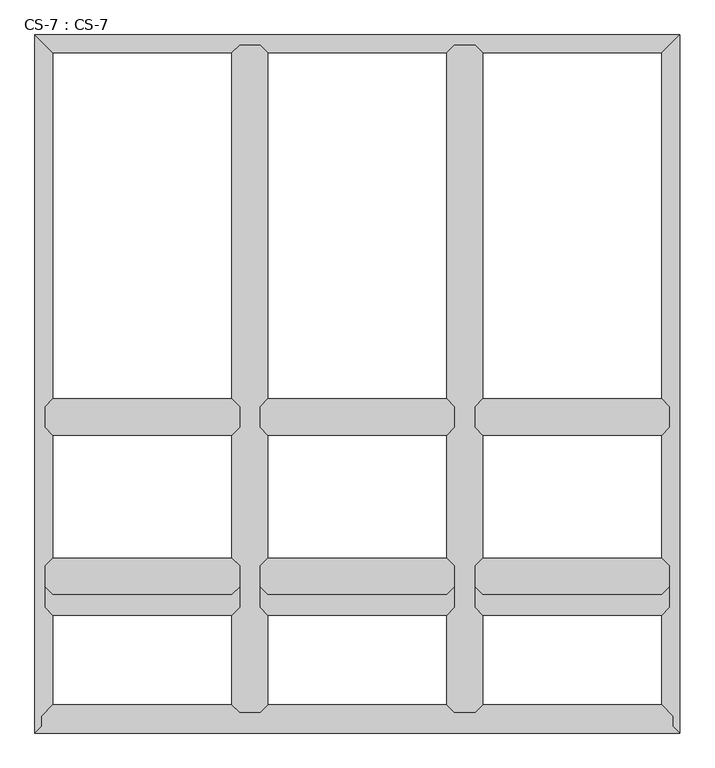
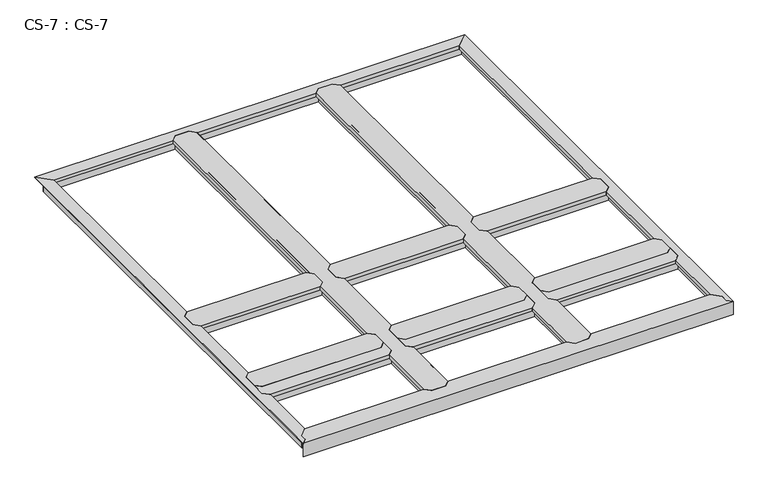
"""IFC4 building model written with IfcOpenShell, lengths in millimetres: proxy geometry, CS-7 : CS-7."""

from ifc_helpers import new_model, si_unit, origin, place, context, project, spatial, faceted_brep, source, transform, mapped, element, save


def cs_7_cs_7_f8a4ccb9(model_context):
    return source(origin(), model_context, "Body", "Brep", [
        faceted_brep([(2024.3803048, 975.3600584, 46.355), (2024.3803048, 975.3600584, 0.0), (2024.3803048, 982.3450584, 0.0), (2024.3803048, 982.3450584, 63.5), (2024.3803048, 1034.4150584, 63.5), (2024.3803048, 1034.4150584, 0.0), (2024.3803048, 1041.4000584, 0.0), (2024.3803048, 1041.4000584, 46.355), (2024.3803048, 1041.4000584, 66.675), (2024.3803048, 975.3600584, 66.675), (1404.6202032, 1041.4000584, 46.355), (1404.6202032, 1041.4000584, 0.0), (1404.6202032, 1034.4150584, 0.0), (1404.6202032, 1034.4150584, 63.5), (1404.6202032, 982.3450584, 63.5), (1404.6202032, 982.3450584, 0.0), (1404.6202032, 975.3600584, 0.0), (1404.6202032, 975.3600584, 46.355), (1404.6202032, 975.3600584, 66.675), (1404.6202032, 1041.4000584, 66.675), (1429.2582032, 1066.0380584, 66.675), (1999.7423048, 1066.0380584, 66.675), (1999.7423048, 1066.0380584, 49.8094), (1429.2582032, 1066.0380584, 49.8094), (2001.2663048, 1064.5140584, 49.8094), (1427.7342032, 1064.5140584, 49.8094), (2001.2663048, 1064.5140584, 64.643), (1427.7342032, 1064.5140584, 64.643), (2011.5533048, 1054.2270584, 64.643), (1417.4472032, 1054.2270584, 64.643), (2011.5533048, 1054.2270584, 46.355), (1417.4472032, 1054.2270584, 46.355), (2011.5533048, 962.5330584, 46.355), (1417.4472032, 962.5330584, 46.355), (2011.5533048, 962.5330584, 64.643), (1417.4472032, 962.5330584, 64.643), (2001.2663048, 952.2460584, 64.643), (1427.7342032, 952.2460584, 64.643), (2001.2663048, 952.2460584, 49.8094), (1427.7342032, 952.2460584, 49.8094), (1999.7423048, 950.7220584, 49.8094), (1429.2582032, 950.7220584, 49.8094), (1999.7423048, 950.7220584, 66.675), (1429.2582032, 950.7220584, 66.675)], [[[0, 1, 2, 3, 4, 5, 6, 7, 8, 9]], [[10, 11, 12, 13, 14, 15, 16, 17, 18, 19]], [[20, 21, 22, 23]], [[23, 22, 24, 25]], [[25, 24, 26, 27]], [[27, 26, 28, 29]], [[29, 28, 30, 31]], [[7, 10, 31, 30]], [[7, 6, 11, 10]], [[6, 5, 12, 11]], [[5, 4, 13, 12]], [[4, 3, 14, 13]], [[3, 2, 15, 14]], [[2, 1, 16, 15]], [[1, 0, 17, 16]], [[17, 0, 32, 33]], [[33, 32, 34, 35]], [[35, 34, 36, 37]], [[37, 36, 38, 39]], [[39, 38, 40, 41]], [[41, 40, 42, 43]], [[9, 8, 21, 20, 19, 18, 43, 42]], [[10, 19, 20, 23, 25, 27, 29, 31]], [[18, 17, 33, 35, 37, 39, 41, 43]], [[0, 9, 42, 40, 38, 36, 34, 32]], [[8, 7, 30, 28, 26, 24, 22, 21]]]),
        faceted_brep([(1338.5802032, 975.3600584, 46.355), (1338.5802032, 975.3600584, 0.0), (1338.5802032, 982.3450584, 0.0), (1338.5802032, 982.3450584, 63.5), (1338.5802032, 1034.4150584, 63.5), (1338.5802032, 1034.4150584, 0.0), (1338.5802032, 1041.4000584, 0.0), (1338.5802032, 1041.4000584, 46.355), (1338.5802032, 1041.4000584, 66.675), (1338.5802032, 975.3600584, 66.675), (718.8201016, 1041.4000584, 46.355), (718.8201016, 1041.4000584, 0.0), (718.8201016, 1034.4150584, 0.0), (718.8201016, 1034.4150584, 63.5), (718.8201016, 982.3450584, 63.5), (718.8201016, 982.3450584, 0.0), (718.8201016, 975.3600584, 0.0), (718.8201016, 975.3600584, 46.355), (718.8201016, 975.3600584, 66.675), (718.8201016, 1041.4000584, 66.675), (743.4581016, 1066.0380584, 66.675), (1313.9422032, 1066.0380584, 66.675), (1313.9422032, 1066.0380584, 49.8094), (743.4581016, 1066.0380584, 49.8094), (1315.4662032, 1064.5140584, 49.8094), (741.9341016, 1064.5140584, 49.8094), (1315.4662032, 1064.5140584, 64.643), (741.9341016, 1064.5140584, 64.643), (1325.7532032, 1054.2270584, 64.643), (731.6471016, 1054.2270584, 64.643), (1325.7532032, 1054.2270584, 46.355), (731.6471016, 1054.2270584, 46.355), (1325.7532032, 962.5330584, 46.355), (731.6471016, 962.5330584, 46.355), (1325.7532032, 962.5330584, 64.643), (731.6471016, 962.5330584, 64.643), (1315.4662032, 952.2460584, 64.643), (741.9341016, 952.2460584, 64.643), (1315.4662032, 952.2460584, 49.8094), (741.9341016, 952.2460584, 49.8094), (1313.9422032, 950.7220584, 49.8094), (743.4581016, 950.7220584, 49.8094), (1313.9422032, 950.7220584, 66.675), (743.4581016, 950.7220584, 66.675)], [[[0, 1, 2, 3, 4, 5, 6, 7, 8, 9]], [[10, 11, 12, 13, 14, 15, 16, 17, 18, 19]], [[20, 21, 22, 23]], [[23, 22, 24, 25]], [[25, 24, 26, 27]], [[27, 26, 28, 29]], [[29, 28, 30, 31]], [[7, 10, 31, 30]], [[7, 6, 11, 10]], [[6, 5, 12, 11]], [[5, 4, 13, 12]], [[4, 3, 14, 13]], [[3, 2, 15, 14]], [[2, 1, 16, 15]], [[1, 0, 17, 16]], [[17, 0, 32, 33]], [[33, 32, 34, 35]], [[35, 34, 36, 37]], [[37, 36, 38, 39]], [[39, 38, 40, 41]], [[41, 40, 42, 43]], [[9, 8, 21, 20, 19, 18, 43, 42]], [[10, 19, 20, 23, 25, 27, 29, 31]], [[18, 17, 33, 35, 37, 39, 41, 43]], [[0, 9, 42, 40, 38, 36, 34, 32]], [[8, 7, 30, 28, 26, 24, 22, 21]]]),
        faceted_brep([(652.7801016, 975.3600584, 46.355), (652.7801016, 975.3600584, 0.0), (652.7801016, 982.3450584, 0.0), (652.7801016, 982.3450584, 63.5), (652.7801016, 1034.4150584, 63.5), (652.7801016, 1034.4150584, 0.0), (652.7801016, 1041.4000584, 0.0), (652.7801016, 1041.4000584, 46.355), (652.7801016, 1041.4000584, 66.675), (652.7801016, 975.3600584, 66.675), (33.02, 1041.4000584, 46.355), (33.02, 1041.4000584, 0.0), (33.02, 1034.4150584, 0.0), (33.02, 1034.4150584, 63.5), (33.02, 982.3450584, 63.5), (33.02, 982.3450584, 0.0), (33.02, 975.3600584, 0.0), (33.02, 975.3600584, 46.355), (33.02, 975.3600584, 66.675), (33.02, 1041.4000584, 66.675), (57.658, 1066.0380584, 66.675), (628.1421016, 1066.0380584, 66.675), (628.1421016, 1066.0380584, 49.8094), (57.658, 1066.0380584, 49.8094), (629.6661016, 1064.5140584, 49.8094), (56.134, 1064.5140584, 49.8094), (629.6661016, 1064.5140584, 64.643), (56.134, 1064.5140584, 64.643), (639.9531016, 1054.2270584, 64.643), (45.847, 1054.2270584, 64.643), (639.9531016, 1054.2270584, 46.355), (45.847, 1054.2270584, 46.355), (639.9531016, 962.5330584, 46.355), (45.847, 962.5330584, 46.355), (639.9531016, 962.5330584, 64.643), (45.847, 962.5330584, 64.643), (629.6661016, 952.2460584, 64.643), (56.134, 952.2460584, 64.643), (629.6661016, 952.2460584, 49.8094), (56.134, 952.2460584, 49.8094), (628.1421016, 950.7220584, 49.8094), (57.658, 950.7220584, 49.8094), (628.1421016, 950.7220584, 66.675), (57.658, 950.7220584, 66.675)], [[[0, 1, 2, 3, 4, 5, 6, 7, 8, 9]], [[10, 11, 12, 13, 14, 15, 16, 17, 18, 19]], [[20, 21, 22, 23]], [[23, 22, 24, 25]], [[25, 24, 26, 27]], [[27, 26, 28, 29]], [[29, 28, 30, 31]], [[7, 10, 31, 30]], [[7, 6, 11, 10]], [[6, 5, 12, 11]], [[5, 4, 13, 12]], [[4, 3, 14, 13]], [[3, 2, 15, 14]], [[2, 1, 16, 15]], [[1, 0, 17, 16]], [[17, 0, 32, 33]], [[33, 32, 34, 35]], [[35, 34, 36, 37]], [[37, 36, 38, 39]], [[39, 38, 40, 41]], [[41, 40, 42, 43]], [[9, 8, 21, 20, 19, 18, 43, 42]], [[10, 19, 20, 23, 25, 27, 29, 31]], [[18, 17, 33, 35, 37, 39, 41, 43]], [[0, 9, 42, 40, 38, 36, 34, 32]], [[8, 7, 30, 28, 26, 24, 22, 21]]]),
        faceted_brep([(2024.3803048, 467.3600292, 46.355), (2024.3803048, 467.3600292, 0.0), (2024.3803048, 474.3450292, 0.0), (2024.3803048, 474.3450292, 63.5), (2024.3803048, 526.4150292, 63.5), (2024.3803048, 526.4150292, 0.0), (2024.3803048, 533.4000292, 0.0), (2024.3803048, 533.4000292, 46.355), (2024.3803048, 533.4000292, 66.675), (2024.3803048, 467.3600292, 66.675), (1404.6202032, 533.4000292, 46.355), (1404.6202032, 533.4000292, 0.0), (1404.6202032, 526.4150292, 0.0), (1404.6202032, 526.4150292, 63.5), (1404.6202032, 474.3450292, 63.5), (1404.6202032, 474.3450292, 0.0), (1404.6202032, 467.3600292, 0.0), (1404.6202032, 467.3600292, 46.355), (1404.6202032, 467.3600292, 66.675), (1404.6202032, 533.4000292, 66.675), (1429.2582032, 558.0380292, 66.675), (1999.7423048, 558.0380292, 66.675), (1999.7423048, 558.0380292, 49.8094), (1429.2582032, 558.0380292, 49.8094), (2001.2663048, 556.5140292, 49.8094), (1427.7342032, 556.5140292, 49.8094), (2001.2663048, 556.5140292, 64.643), (1427.7342032, 556.5140292, 64.643), (2011.5533048, 546.2270292, 64.643), (1417.4472032, 546.2270292, 64.643), (2011.5533048, 546.2270292, 46.355), (1417.4472032, 546.2270292, 46.355), (2011.5533048, 454.5330292, 46.355), (1417.4472032, 454.5330292, 46.355), (2011.5533048, 454.5330292, 64.643), (1417.4472032, 454.5330292, 64.643), (2001.2663048, 444.2460292, 64.643), (1427.7342032, 444.2460292, 64.643), (2001.2663048, 444.2460292, 49.8094), (1427.7342032, 444.2460292, 49.8094), (1999.7423048, 442.7220292, 49.8094), (1429.2582032, 442.7220292, 49.8094), (1999.7423048, 442.7220292, 66.675), (1429.2582032, 442.7220292, 66.675)], [[[0, 1, 2, 3, 4, 5, 6, 7, 8, 9]], [[10, 11, 12, 13, 14, 15, 16, 17, 18, 19]], [[20, 21, 22, 23]], [[23, 22, 24, 25]], [[25, 24, 26, 27]], [[27, 26, 28, 29]], [[29, 28, 30, 31]], [[7, 10, 31, 30]], [[7, 6, 11, 10]], [[6, 5, 12, 11]], [[5, 4, 13, 12]], [[4, 3, 14, 13]], [[3, 2, 15, 14]], [[2, 1, 16, 15]], [[1, 0, 17, 16]], [[17, 0, 32, 33]], [[33, 32, 34, 35]], [[35, 34, 36, 37]], [[37, 36, 38, 39]], [[39, 38, 40, 41]], [[41, 40, 42, 43]], [[9, 8, 21, 20, 19, 18, 43, 42]], [[10, 19, 20, 23, 25, 27, 29, 31]], [[18, 17, 33, 35, 37, 39, 41, 43]], [[0, 9, 42, 40, 38, 36, 34, 32]], [[8, 7, 30, 28, 26, 24, 22, 21]]]),
        faceted_brep([(1338.5802032, 467.3600292, 46.355), (1338.5802032, 467.3600292, 0.0), (1338.5802032, 474.3450292, 0.0), (1338.5802032, 474.3450292, 63.5), (1338.5802032, 526.4150292, 63.5), (1338.5802032, 526.4150292, 0.0), (1338.5802032, 533.4000292, 0.0), (1338.5802032, 533.4000292, 46.355), (1338.5802032, 533.4000292, 66.675), (1338.5802032, 467.3600292, 66.675), (718.8201016, 533.4000292, 46.355), (718.8201016, 533.4000292, 0.0), (718.8201016, 526.4150292, 0.0), (718.8201016, 526.4150292, 63.5), (718.8201016, 474.3450292, 63.5), (718.8201016, 474.3450292, 0.0), (718.8201016, 467.3600292, 0.0), (718.8201016, 467.3600292, 46.355), (718.8201016, 467.3600292, 66.675), (718.8201016, 533.4000292, 66.675), (743.4581016, 558.0380292, 66.675), (1313.9422032, 558.0380292, 66.675), (1313.9422032, 558.0380292, 49.8094), (743.4581016, 558.0380292, 49.8094), (1315.4662032, 556.5140292, 49.8094), (741.9341016, 556.5140292, 49.8094), (1315.4662032, 556.5140292, 64.643), (741.9341016, 556.5140292, 64.643), (1325.7532032, 546.2270292, 64.643), (731.6471016, 546.2270292, 64.643), (1325.7532032, 546.2270292, 46.355), (731.6471016, 546.2270292, 46.355), (1325.7532032, 454.5330292, 46.355), (731.6471016, 454.5330292, 46.355), (1325.7532032, 454.5330292, 64.643), (731.6471016, 454.5330292, 64.643), (1315.4662032, 444.2460292, 64.643), (741.9341016, 444.2460292, 64.643), (1315.4662032, 444.2460292, 49.8094), (741.9341016, 444.2460292, 49.8094), (1313.9422032, 442.7220292, 49.8094), (743.4581016, 442.7220292, 49.8094), (1313.9422032, 442.7220292, 66.675), (743.4581016, 442.7220292, 66.675)], [[[0, 1, 2, 3, 4, 5, 6, 7, 8, 9]], [[10, 11, 12, 13, 14, 15, 16, 17, 18, 19]], [[20, 21, 22, 23]], [[23, 22, 24, 25]], [[25, 24, 26, 27]], [[27, 26, 28, 29]], [[29, 28, 30, 31]], [[7, 10, 31, 30]], [[7, 6, 11, 10]], [[6, 5, 12, 11]], [[5, 4, 13, 12]], [[4, 3, 14, 13]], [[3, 2, 15, 14]], [[2, 1, 16, 15]], [[1, 0, 17, 16]], [[17, 0, 32, 33]], [[33, 32, 34, 35]], [[35, 34, 36, 37]], [[37, 36, 38, 39]], [[39, 38, 40, 41]], [[41, 40, 42, 43]], [[9, 8, 21, 20, 19, 18, 43, 42]], [[10, 19, 20, 23, 25, 27, 29, 31]], [[18, 17, 33, 35, 37, 39, 41, 43]], [[0, 9, 42, 40, 38, 36, 34, 32]], [[8, 7, 30, 28, 26, 24, 22, 21]]]),
        faceted_brep([(652.7801016, 467.3600292, 46.355), (652.7801016, 467.3600292, 0.0), (652.7801016, 474.3450292, 0.0), (652.7801016, 474.3450292, 63.5), (652.7801016, 526.4150292, 63.5), (652.7801016, 526.4150292, 0.0), (652.7801016, 533.4000292, 0.0), (652.7801016, 533.4000292, 46.355), (652.7801016, 533.4000292, 66.675), (652.7801016, 467.3600292, 66.675), (33.02, 533.4000292, 46.355), (33.02, 533.4000292, 0.0), (33.02, 526.4150292, 0.0), (33.02, 526.4150292, 63.5), (33.02, 474.3450292, 63.5), (33.02, 474.3450292, 0.0), (33.02, 467.3600292, 0.0), (33.02, 467.3600292, 46.355), (33.02, 467.3600292, 66.675), (33.02, 533.4000292, 66.675), (57.658, 558.0380292, 66.675), (628.1421016, 558.0380292, 66.675), (628.1421016, 558.0380292, 49.8094), (57.658, 558.0380292, 49.8094), (629.6661016, 556.5140292, 49.8094), (56.134, 556.5140292, 49.8094), (629.6661016, 556.5140292, 64.643), (56.134, 556.5140292, 64.643), (639.9531016, 546.2270292, 64.643), (45.847, 546.2270292, 64.643), (639.9531016, 546.2270292, 46.355), (45.847, 546.2270292, 46.355), (639.9531016, 454.5330292, 46.355), (45.847, 454.5330292, 46.355), (639.9531016, 454.5330292, 64.643), (45.847, 454.5330292, 64.643), (629.6661016, 444.2460292, 64.643), (56.134, 444.2460292, 64.643), (629.6661016, 444.2460292, 49.8094), (56.134, 444.2460292, 49.8094), (628.1421016, 442.7220292, 49.8094), (57.658, 442.7220292, 49.8094), (628.1421016, 442.7220292, 66.675), (57.658, 442.7220292, 66.675)], [[[0, 1, 2, 3, 4, 5, 6, 7, 8, 9]], [[10, 11, 12, 13, 14, 15, 16, 17, 18, 19]], [[20, 21, 22, 23]], [[23, 22, 24, 25]], [[25, 24, 26, 27]], [[27, 26, 28, 29]], [[29, 28, 30, 31]], [[7, 10, 31, 30]], [[7, 6, 11, 10]], [[6, 5, 12, 11]], [[5, 4, 13, 12]], [[4, 3, 14, 13]], [[3, 2, 15, 14]], [[2, 1, 16, 15]], [[1, 0, 17, 16]], [[17, 0, 32, 33]], [[33, 32, 34, 35]], [[35, 34, 36, 37]], [[37, 36, 38, 39]], [[39, 38, 40, 41]], [[41, 40, 42, 43]], [[9, 8, 21, 20, 19, 18, 43, 42]], [[10, 19, 20, 23, 25, 27, 29, 31]], [[18, 17, 33, 35, 37, 39, 41, 43]], [[0, 9, 42, 40, 38, 36, 34, 32]], [[8, 7, 30, 28, 26, 24, 22, 21]]]),
        faceted_brep([(2024.3803048, 401.3200292, 46.355), (2024.3803048, 401.3200292, 0.0), (2024.3803048, 408.3050292, 0.0), (2024.3803048, 408.3050292, 63.5), (2024.3803048, 460.3750292, 63.5), (2024.3803048, 460.3750292, 0.0), (2024.3803048, 467.3600292, 0.0), (2024.3803048, 467.3600292, 46.355), (2024.3803048, 467.3600292, 66.675), (2024.3803048, 401.3200292, 66.675), (1404.6202032, 467.3600292, 46.355), (1404.6202032, 467.3600292, 0.0), (1404.6202032, 460.3750292, 0.0), (1404.6202032, 460.3750292, 63.5), (1404.6202032, 408.3050292, 63.5), (1404.6202032, 408.3050292, 0.0), (1404.6202032, 401.3200292, 0.0), (1404.6202032, 401.3200292, 46.355), (1404.6202032, 401.3200292, 66.675), (1404.6202032, 467.3600292, 66.675), (1429.2582032, 491.9980292, 66.675), (1999.7423048, 491.9980292, 66.675), (1999.7423048, 491.9980292, 49.8094), (1429.2582032, 491.9980292, 49.8094), (2001.2663048, 490.4740292, 49.8094), (1427.7342032, 490.4740292, 49.8094), (2001.2663048, 490.4740292, 64.643), (1427.7342032, 490.4740292, 64.643), (2011.5533048, 480.1870292, 64.643), (1417.4472032, 480.1870292, 64.643), (2011.5533048, 480.1870292, 46.355), (1417.4472032, 480.1870292, 46.355), (2011.5533048, 388.4930292, 46.355), (1417.4472032, 388.4930292, 46.355), (2011.5533048, 388.4930292, 64.643), (1417.4472032, 388.4930292, 64.643), (2001.2663048, 378.2060292, 64.643), (1427.7342032, 378.2060292, 64.643), (2001.2663048, 378.2060292, 49.8094), (1427.7342032, 378.2060292, 49.8094), (1999.7423048, 376.6820292, 49.8094), (1429.2582032, 376.6820292, 49.8094), (1999.7423048, 376.6820292, 66.675), (1429.2582032, 376.6820292, 66.675)], [[[0, 1, 2, 3, 4, 5, 6, 7, 8, 9]], [[10, 11, 12, 13, 14, 15, 16, 17, 18, 19]], [[20, 21, 22, 23]], [[23, 22, 24, 25]], [[25, 24, 26, 27]], [[27, 26, 28, 29]], [[29, 28, 30, 31]], [[7, 10, 31, 30]], [[7, 6, 11, 10]], [[6, 5, 12, 11]], [[5, 4, 13, 12]], [[4, 3, 14, 13]], [[3, 2, 15, 14]], [[2, 1, 16, 15]], [[1, 0, 17, 16]], [[17, 0, 32, 33]], [[33, 32, 34, 35]], [[35, 34, 36, 37]], [[37, 36, 38, 39]], [[39, 38, 40, 41]], [[41, 40, 42, 43]], [[9, 8, 21, 20, 19, 18, 43, 42]], [[10, 19, 20, 23, 25, 27, 29, 31]], [[18, 17, 33, 35, 37, 39, 41, 43]], [[0, 9, 42, 40, 38, 36, 34, 32]], [[8, 7, 30, 28, 26, 24, 22, 21]]]),
        faceted_brep([(1338.5802032, 401.3200292, 46.355), (1338.5802032, 401.3200292, 0.0), (1338.5802032, 408.3050292, 0.0), (1338.5802032, 408.3050292, 63.5), (1338.5802032, 460.3750292, 63.5), (1338.5802032, 460.3750292, 0.0), (1338.5802032, 467.3600292, 0.0), (1338.5802032, 467.3600292, 46.355), (1338.5802032, 467.3600292, 66.675), (1338.5802032, 401.3200292, 66.675), (718.8201016, 467.3600292, 46.355), (718.8201016, 467.3600292, 0.0), (718.8201016, 460.3750292, 0.0), (718.8201016, 460.3750292, 63.5), (718.8201016, 408.3050292, 63.5), (718.8201016, 408.3050292, 0.0), (718.8201016, 401.3200292, 0.0), (718.8201016, 401.3200292, 46.355), (718.8201016, 401.3200292, 66.675), (718.8201016, 467.3600292, 66.675), (743.4581016, 491.9980292, 66.675), (1313.9422032, 491.9980292, 66.675), (1313.9422032, 491.9980292, 49.8094), (743.4581016, 491.9980292, 49.8094), (1315.4662032, 490.4740292, 49.8094), (741.9341016, 490.4740292, 49.8094), (1315.4662032, 490.4740292, 64.643), (741.9341016, 490.4740292, 64.643), (1325.7532032, 480.1870292, 64.643), (731.6471016, 480.1870292, 64.643), (1325.7532032, 480.1870292, 46.355), (731.6471016, 480.1870292, 46.355), (1325.7532032, 388.4930292, 46.355), (731.6471016, 388.4930292, 46.355), (1325.7532032, 388.4930292, 64.643), (731.6471016, 388.4930292, 64.643), (1315.4662032, 378.2060292, 64.643), (741.9341016, 378.2060292, 64.643), (1315.4662032, 378.2060292, 49.8094), (741.9341016, 378.2060292, 49.8094), (1313.9422032, 376.6820292, 49.8094), (743.4581016, 376.6820292, 49.8094), (1313.9422032, 376.6820292, 66.675), (743.4581016, 376.6820292, 66.675)], [[[0, 1, 2, 3, 4, 5, 6, 7, 8, 9]], [[10, 11, 12, 13, 14, 15, 16, 17, 18, 19]], [[20, 21, 22, 23]], [[23, 22, 24, 25]], [[25, 24, 26, 27]], [[27, 26, 28, 29]], [[29, 28, 30, 31]], [[7, 10, 31, 30]], [[7, 6, 11, 10]], [[6, 5, 12, 11]], [[5, 4, 13, 12]], [[4, 3, 14, 13]], [[3, 2, 15, 14]], [[2, 1, 16, 15]], [[1, 0, 17, 16]], [[17, 0, 32, 33]], [[33, 32, 34, 35]], [[35, 34, 36, 37]], [[37, 36, 38, 39]], [[39, 38, 40, 41]], [[41, 40, 42, 43]], [[9, 8, 21, 20, 19, 18, 43, 42]], [[10, 19, 20, 23, 25, 27, 29, 31]], [[18, 17, 33, 35, 37, 39, 41, 43]], [[0, 9, 42, 40, 38, 36, 34, 32]], [[8, 7, 30, 28, 26, 24, 22, 21]]]),
        faceted_brep([(652.7801016, 401.3200292, 46.355), (652.7801016, 401.3200292, 0.0), (652.7801016, 408.3050292, 0.0), (652.7801016, 408.3050292, 63.5), (652.7801016, 460.3750292, 63.5), (652.7801016, 460.3750292, 0.0), (652.7801016, 467.3600292, 0.0), (652.7801016, 467.3600292, 46.355), (652.7801016, 467.3600292, 66.675), (652.7801016, 401.3200292, 66.675), (33.02, 467.3600292, 46.355), (33.02, 467.3600292, 0.0), (33.02, 460.3750292, 0.0), (33.02, 460.3750292, 63.5), (33.02, 408.3050292, 63.5), (33.02, 408.3050292, 0.0), (33.02, 401.3200292, 0.0), (33.02, 401.3200292, 46.355), (33.02, 401.3200292, 66.675), (33.02, 467.3600292, 66.675), (57.658, 491.9980292, 66.675), (628.1421016, 491.9980292, 66.675), (628.1421016, 491.9980292, 49.8094), (57.658, 491.9980292, 49.8094), (629.6661016, 490.4740292, 49.8094), (56.134, 490.4740292, 49.8094), (629.6661016, 490.4740292, 64.643), (56.134, 490.4740292, 64.643), (639.9531016, 480.1870292, 64.643), (45.847, 480.1870292, 64.643), (639.9531016, 480.1870292, 46.355), (45.847, 480.1870292, 46.355), (639.9531016, 388.4930292, 46.355), (45.847, 388.4930292, 46.355), (639.9531016, 388.4930292, 64.643), (45.847, 388.4930292, 64.643), (629.6661016, 378.2060292, 64.643), (56.134, 378.2060292, 64.643), (629.6661016, 378.2060292, 49.8094), (56.134, 378.2060292, 49.8094), (628.1421016, 376.6820292, 49.8094), (57.658, 376.6820292, 49.8094), (628.1421016, 376.6820292, 66.675), (57.658, 376.6820292, 66.675)], [[[0, 1, 2, 3, 4, 5, 6, 7, 8, 9]], [[10, 11, 12, 13, 14, 15, 16, 17, 18, 19]], [[20, 21, 22, 23]], [[23, 22, 24, 25]], [[25, 24, 26, 27]], [[27, 26, 28, 29]], [[29, 28, 30, 31]], [[7, 10, 31, 30]], [[7, 6, 11, 10]], [[6, 5, 12, 11]], [[5, 4, 13, 12]], [[4, 3, 14, 13]], [[3, 2, 15, 14]], [[2, 1, 16, 15]], [[1, 0, 17, 16]], [[17, 0, 32, 33]], [[33, 32, 34, 35]], [[35, 34, 36, 37]], [[37, 36, 38, 39]], [[39, 38, 40, 41]], [[41, 40, 42, 43]], [[9, 8, 21, 20, 19, 18, 43, 42]], [[10, 19, 20, 23, 25, 27, 29, 31]], [[18, 17, 33, 35, 37, 39, 41, 43]], [[0, 9, 42, 40, 38, 36, 34, 32]], [[8, 7, 30, 28, 26, 24, 22, 21]]]),
        faceted_brep([(1404.6202032, 2194.5600292, 46.355), (1404.6202032, 2194.5600292, 0.0), (1397.6352032, 2194.5600292, 0.0), (1397.6352032, 2194.5600292, 63.5), (1345.5652032, 2194.5600292, 63.5), (1345.5652032, 2194.5600292, 0.0), (1338.5802032, 2194.5600292, 0.0), (1338.5802032, 2194.5600292, 46.355), (1338.5802032, 2194.5600292, 66.675), (1404.6202032, 2194.5600292, 66.675), (1338.5802032, 66.04, 46.355), (1338.5802032, 66.04, 0.0), (1345.5652032, 66.04, 0.0), (1345.5652032, 66.04, 63.5), (1397.6352032, 66.04, 63.5), (1397.6352032, 66.04, 0.0), (1404.6202032, 66.04, 0.0), (1404.6202032, 66.04, 46.355), (1404.6202032, 66.04, 66.675), (1338.5802032, 66.04, 66.675), (1313.9422032, 90.678, 49.8094), (1313.9422032, 90.678, 66.675), (1313.9422032, 376.6820292, 66.675), (1313.9422032, 376.6820292, 49.8094), (1313.9422032, 2169.9220292, 66.675), (1313.9422032, 2169.9220292, 49.8094), (1313.9422032, 1066.0380584, 49.8094), (1313.9422032, 1066.0380584, 66.675), (1313.9422032, 558.0380292, 49.8094), (1313.9422032, 558.0380292, 66.675), (1313.9422032, 950.7220584, 66.675), (1313.9422032, 950.7220584, 49.8094), (1315.4662032, 89.154, 49.8094), (1315.4662032, 378.2060292, 49.8094), (1315.4662032, 2171.4460292, 49.8094), (1315.4662032, 1064.5140584, 49.8094), (1315.4662032, 556.5140292, 49.8094), (1315.4662032, 952.2460584, 49.8094), (1315.4662032, 89.154, 64.643), (1315.4662032, 378.2060292, 64.643), (1315.4662032, 2171.4460292, 64.643), (1315.4662032, 1064.5140584, 64.643), (1315.4662032, 556.5140292, 64.643), (1315.4662032, 952.2460584, 64.643), (1325.7532032, 78.867, 64.643), (1325.7532032, 388.4930292, 64.643), (1325.7532032, 2181.7330292, 64.643), (1325.7532032, 1054.2270584, 64.643), (1325.7532032, 546.2270292, 64.643), (1325.7532032, 962.5330584, 64.643), (1325.7532032, 78.867, 46.355), (1325.7532032, 388.4930292, 46.355), (1325.7532032, 2181.7330292, 46.355), (1325.7532032, 1054.2270584, 46.355), (1325.7532032, 546.2270292, 46.355), (1325.7532032, 962.5330584, 46.355), (1338.5802032, 401.3200292, 46.355), (1338.5802032, 1041.4000584, 46.355), (1338.5802032, 533.4000292, 46.355), (1338.5802032, 975.3600584, 46.355), (1338.5802032, 401.3200292, 66.675), (1338.5802032, 533.4000292, 66.675), (1338.5802032, 975.3600584, 66.675), (1338.5802032, 1041.4000584, 66.675), (1404.6202032, 1041.4000584, 46.355), (1404.6202032, 1041.4000584, 66.675), (1404.6202032, 975.3600584, 66.675), (1404.6202032, 975.3600584, 46.355), (1404.6202032, 533.4000292, 46.355), (1404.6202032, 533.4000292, 66.675), (1404.6202032, 401.3200292, 66.675), (1404.6202032, 401.3200292, 46.355), (1417.4472032, 78.867, 46.355), (1417.4472032, 388.4930292, 46.355), (1417.4472032, 2181.7330292, 46.355), (1417.4472032, 1054.2270584, 46.355), (1417.4472032, 546.2270292, 46.355), (1417.4472032, 962.5330584, 46.355), (1417.4472032, 78.867, 64.643), (1417.4472032, 388.4930292, 64.643), (1417.4472032, 2181.7330292, 64.643), (1417.4472032, 1054.2270584, 64.643), (1417.4472032, 546.2270292, 64.643), (1417.4472032, 962.5330584, 64.643), (1427.7342032, 89.154, 64.643), (1427.7342032, 378.2060292, 64.643), (1427.7342032, 2171.4460292, 64.643), (1427.7342032, 1064.5140584, 64.643), (1427.7342032, 556.5140292, 64.643), (1427.7342032, 952.2460584, 64.643), (1427.7342032, 89.154, 49.8094), (1427.7342032, 378.2060292, 49.8094), (1427.7342032, 2171.4460292, 49.8094), (1427.7342032, 1064.5140584, 49.8094), (1427.7342032, 556.5140292, 49.8094), (1427.7342032, 952.2460584, 49.8094), (1429.2582032, 90.678, 49.8094), (1429.2582032, 376.6820292, 49.8094), (1429.2582032, 2169.9220292, 49.8094), (1429.2582032, 1066.0380584, 49.8094), (1429.2582032, 558.0380292, 49.8094), (1429.2582032, 950.7220584, 49.8094), (1429.2582032, 90.678, 66.675), (1429.2582032, 376.6820292, 66.675), (1429.2582032, 2169.9220292, 66.675), (1429.2582032, 1066.0380584, 66.675), (1429.2582032, 558.0380292, 66.675), (1429.2582032, 950.7220584, 66.675)], [[[0, 1, 2, 3, 4, 5, 6, 7, 8, 9]], [[10, 11, 12, 13, 14, 15, 16, 17, 18, 19]], [[20, 21, 22, 23]], [[24, 25, 26, 27]], [[28, 29, 30, 31]], [[32, 20, 23, 33]], [[25, 34, 35, 26]], [[36, 28, 31, 37]], [[38, 32, 33, 39]], [[34, 40, 41, 35]], [[42, 36, 37, 43]], [[44, 38, 39, 45]], [[40, 46, 47, 41]], [[48, 42, 43, 49]], [[50, 44, 45, 51]], [[46, 52, 53, 47]], [[54, 48, 49, 55]], [[10, 50, 51, 56]], [[52, 7, 57, 53]], [[58, 54, 55, 59]], [[7, 6, 11, 10, 56, 60, 61, 58, 59, 62, 63, 57]], [[6, 5, 12, 11]], [[5, 4, 13, 12]], [[4, 3, 14, 13]], [[3, 2, 15, 14]], [[2, 1, 16, 15]], [[1, 0, 64, 65, 66, 67, 68, 69, 70, 71, 17, 16]], [[72, 17, 71, 73]], [[0, 74, 75, 64]], [[76, 68, 67, 77]], [[78, 72, 73, 79]], [[74, 80, 81, 75]], [[82, 76, 77, 83]], [[84, 78, 79, 85]], [[80, 86, 87, 81]], [[88, 82, 83, 89]], [[90, 84, 85, 91]], [[86, 92, 93, 87]], [[94, 88, 89, 95]], [[96, 90, 91, 97]], [[92, 98, 99, 93]], [[100, 94, 95, 101]], [[102, 96, 97, 103]], [[98, 104, 105, 99]], [[106, 100, 101, 107]], [[9, 8, 24, 27, 63, 62, 30, 29, 61, 60, 22, 21, 19, 18, 102, 103, 70, 69, 106, 107, 66, 65, 105, 104]], [[10, 19, 21, 20, 32, 38, 44, 50]], [[18, 17, 72, 78, 84, 90, 96, 102]], [[0, 9, 104, 98, 92, 86, 80, 74]], [[8, 7, 52, 46, 40, 34, 25, 24]], [[60, 56, 51, 45, 39, 33, 23, 22]], [[58, 61, 29, 28, 36, 42, 48, 54]], [[62, 59, 55, 49, 43, 37, 31, 30]], [[57, 63, 27, 26, 35, 41, 47, 53]], [[71, 70, 103, 97, 91, 85, 79, 73]], [[69, 68, 76, 82, 88, 94, 100, 106]], [[65, 64, 75, 81, 87, 93, 99, 105]], [[67, 66, 107, 101, 95, 89, 83, 77]]]),
        faceted_brep([(718.8201016, 2194.5600292, 46.355), (718.8201016, 2194.5600292, 0.0), (711.8351016, 2194.5600292, 0.0), (711.8351016, 2194.5600292, 63.5), (659.7651016, 2194.5600292, 63.5), (659.7651016, 2194.5600292, 0.0), (652.7801016, 2194.5600292, 0.0), (652.7801016, 2194.5600292, 46.355), (652.7801016, 2194.5600292, 66.675), (718.8201016, 2194.5600292, 66.675), (652.7801016, 66.04, 46.355), (652.7801016, 66.04, 0.0), (659.7651016, 66.04, 0.0), (659.7651016, 66.04, 63.5), (711.8351016, 66.04, 63.5), (711.8351016, 66.04, 0.0), (718.8201016, 66.04, 0.0), (718.8201016, 66.04, 46.355), (718.8201016, 66.04, 66.675), (652.7801016, 66.04, 66.675), (628.1421016, 90.678, 49.8094), (628.1421016, 90.678, 66.675), (628.1421016, 376.6820292, 66.675), (628.1421016, 376.6820292, 49.8094), (628.1421016, 2169.9220292, 66.675), (628.1421016, 2169.9220292, 49.8094), (628.1421016, 1066.0380584, 49.8094), (628.1421016, 1066.0380584, 66.675), (628.1421016, 558.0380292, 49.8094), (628.1421016, 558.0380292, 66.675), (628.1421016, 950.7220584, 66.675), (628.1421016, 950.7220584, 49.8094), (629.6661016, 89.154, 49.8094), (629.6661016, 378.2060292, 49.8094), (629.6661016, 2171.4460292, 49.8094), (629.6661016, 1064.5140584, 49.8094), (629.6661016, 556.5140292, 49.8094), (629.6661016, 952.2460584, 49.8094), (629.6661016, 89.154, 64.643), (629.6661016, 378.2060292, 64.643), (629.6661016, 2171.4460292, 64.643), (629.6661016, 1064.5140584, 64.643), (629.6661016, 556.5140292, 64.643), (629.6661016, 952.2460584, 64.643), (639.9531016, 78.867, 64.643), (639.9531016, 388.4930292, 64.643), (639.9531016, 2181.7330292, 64.643), (639.9531016, 1054.2270584, 64.643), (639.9531016, 546.2270292, 64.643), (639.9531016, 962.5330584, 64.643), (639.9531016, 78.867, 46.355), (639.9531016, 388.4930292, 46.355), (639.9531016, 2181.7330292, 46.355), (639.9531016, 1054.2270584, 46.355), (639.9531016, 546.2270292, 46.355), (639.9531016, 962.5330584, 46.355), (652.7801016, 401.3200292, 46.355), (652.7801016, 1041.4000584, 46.355), (652.7801016, 533.4000292, 46.355), (652.7801016, 975.3600584, 46.355), (652.7801016, 401.3200292, 66.675), (652.7801016, 533.4000292, 66.675), (652.7801016, 975.3600584, 66.675), (652.7801016, 1041.4000584, 66.675), (718.8201016, 1041.4000584, 46.355), (718.8201016, 1041.4000584, 66.675), (718.8201016, 975.3600584, 66.675), (718.8201016, 975.3600584, 46.355), (718.8201016, 533.4000292, 46.355), (718.8201016, 533.4000292, 66.675), (718.8201016, 401.3200292, 66.675), (718.8201016, 401.3200292, 46.355), (731.6471016, 78.867, 46.355), (731.6471016, 388.4930292, 46.355), (731.6471016, 2181.7330292, 46.355), (731.6471016, 1054.2270584, 46.355), (731.6471016, 546.2270292, 46.355), (731.6471016, 962.5330584, 46.355), (731.6471016, 78.867, 64.643), (731.6471016, 388.4930292, 64.643), (731.6471016, 2181.7330292, 64.643), (731.6471016, 1054.2270584, 64.643), (731.6471016, 546.2270292, 64.643), (731.6471016, 962.5330584, 64.643), (741.9341016, 89.154, 64.643), (741.9341016, 378.2060292, 64.643), (741.9341016, 2171.4460292, 64.643), (741.9341016, 1064.5140584, 64.643), (741.9341016, 556.5140292, 64.643), (741.9341016, 952.2460584, 64.643), (741.9341016, 89.154, 49.8094), (741.9341016, 378.2060292, 49.8094), (741.9341016, 2171.4460292, 49.8094), (741.9341016, 1064.5140584, 49.8094), (741.9341016, 556.5140292, 49.8094), (741.9341016, 952.2460584, 49.8094), (743.4581016, 90.678, 49.8094), (743.4581016, 376.6820292, 49.8094), (743.4581016, 2169.9220292, 49.8094), (743.4581016, 1066.0380584, 49.8094), (743.4581016, 558.0380292, 49.8094), (743.4581016, 950.7220584, 49.8094), (743.4581016, 90.678, 66.675), (743.4581016, 376.6820292, 66.675), (743.4581016, 2169.9220292, 66.675), (743.4581016, 1066.0380584, 66.675), (743.4581016, 558.0380292, 66.675), (743.4581016, 950.7220584, 66.675)], [[[0, 1, 2, 3, 4, 5, 6, 7, 8, 9]], [[10, 11, 12, 13, 14, 15, 16, 17, 18, 19]], [[20, 21, 22, 23]], [[24, 25, 26, 27]], [[28, 29, 30, 31]], [[32, 20, 23, 33]], [[25, 34, 35, 26]], [[36, 28, 31, 37]], [[38, 32, 33, 39]], [[34, 40, 41, 35]], [[42, 36, 37, 43]], [[44, 38, 39, 45]], [[40, 46, 47, 41]], [[48, 42, 43, 49]], [[50, 44, 45, 51]], [[46, 52, 53, 47]], [[54, 48, 49, 55]], [[10, 50, 51, 56]], [[52, 7, 57, 53]], [[58, 54, 55, 59]], [[7, 6, 11, 10, 56, 60, 61, 58, 59, 62, 63, 57]], [[6, 5, 12, 11]], [[5, 4, 13, 12]], [[4, 3, 14, 13]], [[3, 2, 15, 14]], [[2, 1, 16, 15]], [[1, 0, 64, 65, 66, 67, 68, 69, 70, 71, 17, 16]], [[72, 17, 71, 73]], [[0, 74, 75, 64]], [[76, 68, 67, 77]], [[78, 72, 73, 79]], [[74, 80, 81, 75]], [[82, 76, 77, 83]], [[84, 78, 79, 85]], [[80, 86, 87, 81]], [[88, 82, 83, 89]], [[90, 84, 85, 91]], [[86, 92, 93, 87]], [[94, 88, 89, 95]], [[96, 90, 91, 97]], [[92, 98, 99, 93]], [[100, 94, 95, 101]], [[102, 96, 97, 103]], [[98, 104, 105, 99]], [[106, 100, 101, 107]], [[9, 8, 24, 27, 63, 62, 30, 29, 61, 60, 22, 21, 19, 18, 102, 103, 70, 69, 106, 107, 66, 65, 105, 104]], [[10, 19, 21, 20, 32, 38, 44, 50]], [[18, 17, 72, 78, 84, 90, 96, 102]], [[0, 9, 104, 98, 92, 86, 80, 74]], [[8, 7, 52, 46, 40, 34, 25, 24]], [[60, 56, 51, 45, 39, 33, 23, 22]], [[58, 61, 29, 28, 36, 42, 48, 54]], [[62, 59, 55, 49, 43, 37, 31, 30]], [[57, 63, 27, 26, 35, 41, 47, 53]], [[71, 70, 103, 97, 91, 85, 79, 73]], [[69, 68, 76, 82, 88, 94, 100, 106]], [[65, 64, 75, 81, 87, 93, 99, 105]], [[67, 66, 107, 101, 95, 89, 83, 77]]]),
        faceted_brep([(2057.4003048, 0.0, 0.0), (0.0, 0.0, 0.0), (6.985, 6.985, 0.0), (2050.4153048, 6.985, 0.0), (2050.4153048, 6.985, 63.5), (6.985, 6.985, 63.5), (2035.8103048, 21.59, 63.5), (21.59, 21.59, 63.5), (21.59, 53.34, 63.5), (27.1106122, 59.055, 63.5), (2030.2896926, 59.055, 63.5), (2035.8103048, 53.34, 63.5), (2030.2896926, 59.055, 0.0), (27.1106122, 59.055, 0.0), (33.8580272, 66.04, 0.0), (2023.5422776, 66.04, 0.0), (2023.5422776, 66.04, 46.355), (33.8580272, 66.04, 46.355), (652.7801016, 66.04, 46.355), (652.7801016, 66.04, 66.675), (718.8201016, 66.04, 66.675), (718.8201016, 66.04, 46.355), (1338.5802032, 66.04, 46.355), (1338.5802032, 66.04, 66.675), (1404.6202032, 66.04, 66.675), (1404.6202032, 66.04, 46.355), (2011.1515701, 78.867, 46.355), (1417.4472032, 78.867, 46.355), (46.2487347, 78.867, 46.355), (639.9531016, 78.867, 46.355), (1325.7532032, 78.867, 46.355), (731.6471016, 78.867, 46.355), (2011.1515701, 78.867, 63.5), (1417.4472032, 78.867, 63.5), (46.2487347, 78.867, 63.5), (639.9531016, 78.867, 63.5), (1325.7532032, 78.867, 63.5), (731.6471016, 78.867, 63.5), (2001.2144681, 89.154, 63.5), (1427.7342032, 89.154, 63.5), (56.1858367, 89.154, 63.5), (629.6661016, 89.154, 63.5), (1315.4662032, 89.154, 63.5), (741.9341016, 89.154, 63.5), (2001.2144681, 89.154, 49.8094), (1427.7342032, 89.154, 49.8094), (56.1858367, 89.154, 49.8094), (629.6661016, 89.154, 49.8094), (1315.4662032, 89.154, 49.8094), (741.9341016, 89.154, 49.8094), (1999.7423048, 90.678, 49.8094), (1429.2582032, 90.678, 49.8094), (57.658, 90.678, 49.8094), (628.1421016, 90.678, 49.8094), (1313.9422032, 90.678, 49.8094), (743.4581016, 90.678, 49.8094), (1999.7423048, 90.678, 66.675), (1429.2582032, 90.678, 66.675), (57.658, 90.678, 66.675), (628.1421016, 90.678, 66.675), (1313.9422032, 90.678, 66.675), (743.4581016, 90.678, 66.675), (0.0, 0.0, 66.675), (2057.4003048, 0.0, 66.675), (2035.8103048, 21.59, 66.675), (2035.8103048, 53.34, 66.675), (21.59, 53.34, 66.675), (21.59, 21.59, 66.675)], [[[0, 1, 2, 3]], [[4, 3, 2, 5]], [[6, 4, 5, 7, 8, 9, 10, 11]], [[12, 10, 9, 13]], [[14, 15, 12, 13]], [[16, 15, 14, 17, 18, 19, 20, 21, 22, 23, 24, 25]], [[26, 16, 25, 27]], [[17, 28, 29, 18]], [[30, 22, 21, 31]], [[32, 26, 27, 33]], [[28, 34, 35, 29]], [[36, 30, 31, 37]], [[38, 32, 33, 39]], [[34, 40, 41, 35]], [[42, 36, 37, 43]], [[44, 38, 39, 45]], [[40, 46, 47, 41]], [[48, 42, 43, 49]], [[50, 44, 45, 51]], [[46, 52, 53, 47]], [[54, 48, 49, 55]], [[56, 50, 51, 57]], [[52, 58, 59, 53]], [[60, 54, 55, 61]], [[62, 63, 64, 65, 56, 57, 24, 23, 60, 61, 20, 19, 59, 58, 66, 67]], [[1, 0, 63, 62]], [[6, 64, 63, 0, 3, 4]], [[65, 11, 10, 12, 15, 16, 26, 32, 38, 44, 50, 56]], [[64, 6, 11, 65]], [[7, 67, 66, 8]], [[8, 66, 58, 52, 46, 40, 34, 28, 17, 14, 13, 9]], [[67, 7, 5, 2, 1, 62]], [[23, 22, 30, 36, 42, 48, 54, 60]], [[25, 24, 57, 51, 45, 39, 33, 27]], [[19, 18, 29, 35, 41, 47, 53, 59]], [[21, 20, 61, 55, 49, 43, 37, 31]]]),
        faceted_brep([(2057.4003048, 0.0, 66.675), (2057.4003048, 2227.5800292, 66.675), (1999.7423048, 2169.9220292, 66.675), (1999.7423048, 1066.0380584, 66.675), (2024.3803048, 1041.4000584, 66.675), (2024.3803048, 975.3600584, 66.675), (1999.7423048, 950.7220584, 66.675), (1999.7423048, 558.0380292, 66.675), (2024.3803048, 533.4000292, 66.675), (2024.3803048, 401.3200292, 66.675), (1999.7423048, 376.6820292, 66.675), (1999.7423048, 90.678, 66.675), (2035.8103048, 53.34, 66.675), (2035.8103048, 21.59, 66.675), (2057.4003048, 0.0, 63.5), (2057.4003048, 2227.5800292, 63.5), (2035.8103048, 21.59, 63.5), (2035.8103048, 53.34, 63.5), (2031.3653048, 57.9415141, 63.5), (2031.3653048, 2201.5450292, 63.5), (2031.3653048, 2201.5450292, 0.0), (2031.3653048, 57.9415141, 0.0), (2024.3803048, 65.1724648, 0.0), (2024.3803048, 2194.5600292, 0.0), (2024.3803048, 2194.5600292, 46.355), (2024.3803048, 65.1724648, 46.355), (2024.3803048, 401.3200292, 46.355), (2024.3803048, 533.4000292, 46.355), (2024.3803048, 975.3600584, 46.355), (2024.3803048, 1041.4000584, 46.355), (2011.5533048, 2181.7330292, 46.355), (2011.5533048, 1054.2270584, 46.355), (2011.5533048, 78.4511197, 46.355), (2011.5533048, 388.4930292, 46.355), (2011.5533048, 962.5330584, 46.355), (2011.5533048, 546.2270292, 46.355), (2011.5533048, 2181.7330292, 64.643), (2011.5533048, 1054.2270584, 64.643), (2011.5533048, 78.4511197, 64.643), (2011.5533048, 388.4930292, 64.643), (2011.5533048, 962.5330584, 64.643), (2011.5533048, 546.2270292, 64.643), (2001.2663048, 2171.4460292, 64.643), (2001.2663048, 1064.5140584, 64.643), (2001.2663048, 89.100338, 64.643), (2001.2663048, 378.2060292, 64.643), (2001.2663048, 952.2460584, 64.643), (2001.2663048, 556.5140292, 64.643), (2001.2663048, 2171.4460292, 49.8094), (2001.2663048, 1064.5140584, 49.8094), (2001.2663048, 89.100338, 49.8094), (2001.2663048, 378.2060292, 49.8094), (2001.2663048, 952.2460584, 49.8094), (2001.2663048, 556.5140292, 49.8094), (1999.7423048, 2169.9220292, 49.8094), (1999.7423048, 1066.0380584, 49.8094), (1999.7423048, 90.678, 49.8094), (1999.7423048, 376.6820292, 49.8094), (1999.7423048, 950.7220584, 49.8094), (1999.7423048, 558.0380292, 49.8094)], [[[0, 1, 2, 3, 4, 5, 6, 7, 8, 9, 10, 11, 12, 13]], [[1, 0, 14, 15]], [[15, 14, 16, 17, 18, 19]], [[20, 19, 18, 21]], [[22, 23, 20, 21]], [[24, 23, 22, 25, 26, 9, 8, 27, 28, 5, 4, 29]], [[30, 24, 29, 31]], [[25, 32, 33, 26]], [[34, 28, 27, 35]], [[36, 30, 31, 37]], [[32, 38, 39, 33]], [[40, 34, 35, 41]], [[42, 36, 37, 43]], [[38, 44, 45, 39]], [[46, 40, 41, 47]], [[48, 42, 43, 49]], [[44, 50, 51, 45]], [[52, 46, 47, 53]], [[54, 48, 49, 55]], [[50, 56, 57, 51]], [[58, 52, 53, 59]], [[2, 54, 55, 3]], [[56, 11, 10, 57]], [[6, 58, 59, 7]], [[2, 1, 15, 19, 20, 23, 24, 30, 36, 42, 48, 54]], [[16, 13, 12, 17]], [[17, 12, 11, 56, 50, 44, 38, 32, 25, 22, 21, 18]], [[13, 16, 14, 0]], [[5, 28, 34, 40, 46, 52, 58, 6]], [[29, 4, 3, 55, 49, 43, 37, 31]], [[27, 8, 7, 59, 53, 47, 41, 35]], [[9, 26, 33, 39, 45, 51, 57, 10]]]),
        faceted_brep([(2057.4003048, 2227.5800292, 66.675), (0.0, 2227.5800292, 66.675), (57.658, 2169.9220292, 66.675), (628.1421016, 2169.9220292, 66.675), (652.7801016, 2194.5600292, 66.675), (718.8201016, 2194.5600292, 66.675), (743.4581016, 2169.9220292, 66.675), (1313.9422032, 2169.9220292, 66.675), (1338.5802032, 2194.5600292, 66.675), (1404.6202032, 2194.5600292, 66.675), (1429.2582032, 2169.9220292, 66.675), (1999.7423048, 2169.9220292, 66.675), (2057.4003048, 2227.5800292, 63.5), (0.0, 2227.5800292, 63.5), (2031.3653048, 2201.5450292, 63.5), (26.035, 2201.5450292, 63.5), (26.035, 2201.5450292, 0.0), (2031.3653048, 2201.5450292, 0.0), (2024.3803048, 2194.5600292, 0.0), (33.02, 2194.5600292, 0.0), (33.02, 2194.5600292, 46.355), (2024.3803048, 2194.5600292, 46.355), (1404.6202032, 2194.5600292, 46.355), (1338.5802032, 2194.5600292, 46.355), (718.8201016, 2194.5600292, 46.355), (652.7801016, 2194.5600292, 46.355), (45.847, 2181.7330292, 46.355), (639.9531016, 2181.7330292, 46.355), (2011.5533048, 2181.7330292, 46.355), (1417.4472032, 2181.7330292, 46.355), (731.6471016, 2181.7330292, 46.355), (1325.7532032, 2181.7330292, 46.355), (45.847, 2181.7330292, 64.643), (639.9531016, 2181.7330292, 64.643), (2011.5533048, 2181.7330292, 64.643), (1417.4472032, 2181.7330292, 64.643), (731.6471016, 2181.7330292, 64.643), (1325.7532032, 2181.7330292, 64.643), (56.134, 2171.4460292, 64.643), (629.6661016, 2171.4460292, 64.643), (2001.2663048, 2171.4460292, 64.643), (1427.7342032, 2171.4460292, 64.643), (741.9341016, 2171.4460292, 64.643), (1315.4662032, 2171.4460292, 64.643), (56.134, 2171.4460292, 49.8094), (629.6661016, 2171.4460292, 49.8094), (2001.2663048, 2171.4460292, 49.8094), (1427.7342032, 2171.4460292, 49.8094), (741.9341016, 2171.4460292, 49.8094), (1315.4662032, 2171.4460292, 49.8094), (57.658, 2169.9220292, 49.8094), (628.1421016, 2169.9220292, 49.8094), (1999.7423048, 2169.9220292, 49.8094), (1429.2582032, 2169.9220292, 49.8094), (743.4581016, 2169.9220292, 49.8094), (1313.9422032, 2169.9220292, 49.8094)], [[[0, 1, 2, 3, 4, 5, 6, 7, 8, 9, 10, 11]], [[1, 0, 12, 13]], [[13, 12, 14, 15]], [[16, 15, 14, 17]], [[18, 19, 16, 17]], [[20, 19, 18, 21, 22, 9, 8, 23, 24, 5, 4, 25]], [[26, 20, 25, 27]], [[21, 28, 29, 22]], [[30, 24, 23, 31]], [[32, 26, 27, 33]], [[28, 34, 35, 29]], [[36, 30, 31, 37]], [[38, 32, 33, 39]], [[34, 40, 41, 35]], [[42, 36, 37, 43]], [[44, 38, 39, 45]], [[40, 46, 47, 41]], [[48, 42, 43, 49]], [[50, 44, 45, 51]], [[46, 52, 53, 47]], [[54, 48, 49, 55]], [[2, 50, 51, 3]], [[52, 11, 10, 53]], [[6, 54, 55, 7]], [[2, 1, 13, 15, 16, 19, 20, 26, 32, 38, 44, 50]], [[0, 11, 52, 46, 40, 34, 28, 21, 18, 17, 14, 12]], [[5, 24, 30, 36, 42, 48, 54, 6]], [[25, 4, 3, 51, 45, 39, 33, 27]], [[9, 22, 29, 35, 41, 47, 53, 10]], [[23, 8, 7, 55, 49, 43, 37, 31]]]),
        faceted_brep([(0.0, 2227.5800292, 66.675), (0.0, 0.0, 66.675), (21.59, 21.59, 66.675), (21.59, 53.34, 66.675), (57.658, 90.678, 66.675), (57.658, 376.6820292, 66.675), (33.02, 401.3200292, 66.675), (33.02, 533.4000292, 66.675), (57.658, 558.0380292, 66.675), (57.658, 950.7220584, 66.675), (33.02, 975.3600584, 66.675), (33.02, 1041.4000584, 66.675), (57.658, 1066.0380584, 66.675), (57.658, 2169.9220292, 66.675), (0.0, 2227.5800292, 63.5), (0.0, 0.0, 63.5), (26.035, 2201.5450292, 63.5), (26.035, 57.9415141, 63.5), (21.59, 53.34, 63.5), (21.59, 21.59, 63.5), (26.035, 57.9415141, 0.0), (26.035, 2201.5450292, 0.0), (33.02, 2194.5600292, 0.0), (33.02, 65.1724648, 0.0), (33.02, 65.1724648, 46.355), (33.02, 2194.5600292, 46.355), (33.02, 1041.4000584, 46.355), (33.02, 975.3600584, 46.355), (33.02, 533.4000292, 46.355), (33.02, 401.3200292, 46.355), (45.847, 78.4511197, 46.355), (45.847, 388.4930292, 46.355), (45.847, 2181.7330292, 46.355), (45.847, 1054.2270584, 46.355), (45.847, 546.2270292, 46.355), (45.847, 962.5330584, 46.355), (45.847, 78.4511197, 64.643), (45.847, 388.4930292, 64.643), (45.847, 2181.7330292, 64.643), (45.847, 1054.2270584, 64.643), (45.847, 546.2270292, 64.643), (45.847, 962.5330584, 64.643), (56.134, 89.100338, 64.643), (56.134, 378.2060292, 64.643), (56.134, 2171.4460292, 64.643), (56.134, 1064.5140584, 64.643), (56.134, 556.5140292, 64.643), (56.134, 952.2460584, 64.643), (56.134, 89.100338, 49.8094), (56.134, 378.2060292, 49.8094), (56.134, 2171.4460292, 49.8094), (56.134, 1064.5140584, 49.8094), (56.134, 556.5140292, 49.8094), (56.134, 952.2460584, 49.8094), (57.658, 90.678, 49.8094), (57.658, 376.6820292, 49.8094), (57.658, 2169.9220292, 49.8094), (57.658, 1066.0380584, 49.8094), (57.658, 558.0380292, 49.8094), (57.658, 950.7220584, 49.8094)], [[[0, 1, 2, 3, 4, 5, 6, 7, 8, 9, 10, 11, 12, 13]], [[1, 0, 14, 15]], [[15, 14, 16, 17, 18, 19]], [[20, 17, 16, 21]], [[22, 23, 20, 21]], [[24, 23, 22, 25, 26, 11, 10, 27, 28, 7, 6, 29]], [[30, 24, 29, 31]], [[25, 32, 33, 26]], [[34, 28, 27, 35]], [[36, 30, 31, 37]], [[32, 38, 39, 33]], [[40, 34, 35, 41]], [[42, 36, 37, 43]], [[38, 44, 45, 39]], [[46, 40, 41, 47]], [[48, 42, 43, 49]], [[44, 50, 51, 45]], [[52, 46, 47, 53]], [[54, 48, 49, 55]], [[50, 56, 57, 51]], [[58, 52, 53, 59]], [[4, 54, 55, 5]], [[56, 13, 12, 57]], [[8, 58, 59, 9]], [[19, 2, 1, 15]], [[3, 18, 17, 20, 23, 24, 30, 36, 42, 48, 54, 4]], [[2, 19, 18, 3]], [[0, 13, 56, 50, 44, 38, 32, 25, 22, 21, 16, 14]], [[29, 6, 5, 55, 49, 43, 37, 31]], [[7, 28, 34, 40, 46, 52, 58, 8]], [[11, 26, 33, 39, 45, 51, 57, 12]], [[27, 10, 9, 59, 53, 47, 41, 35]]]),
    ])


if __name__ == "__main__":
    model = new_model("IFC4")
    model_context = context("Model", 3, world=origin())
    ifc_project = project(units=[si_unit("LENGTHUNIT", "METRE", prefix="MILLI")], contexts=[model_context])
    site = spatial("IfcSite", under=ifc_project)
    building = spatial("IfcBuilding", under=site)
    placement = place(None, origin())
    cs_7_cs_7_shape = cs_7_cs_7_f8a4ccb9(model_context)
    element("IfcBuildingElementProxy", 1, Name="CS-7 : CS-7", ObjectType="CS-7 : CS-7", at=placement, inside=building, context=model_context, shape_type="MappedRepresentation", body=[
        mapped(cs_7_cs_7_shape, transform((0.0, 0.0, 0.0), x_axis=(1.0, 0.0, 0.0), y_axis=(0.0, 1.0, 0.0), z_axis=(0.0, 0.0, 1.0))),
    ])
    save(model, "model.ifc")
